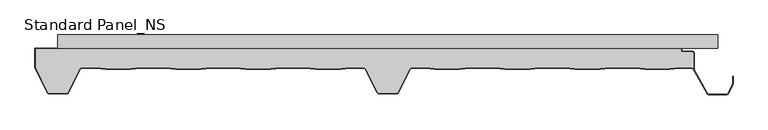
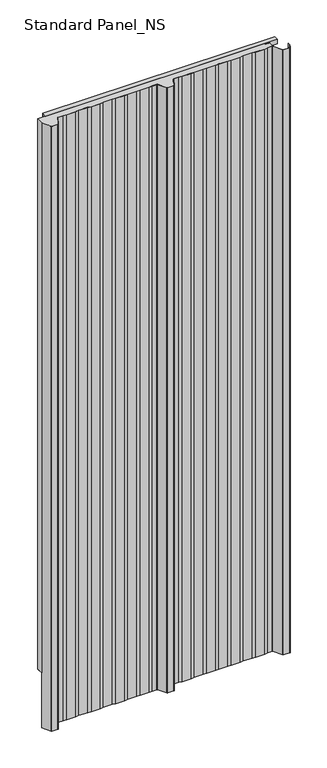
"""IFC4 building model written with IfcOpenShell, lengths in millimetres: proxy geometry, Standard Panel_NS."""

from ifc_helpers import new_model, si_unit, point, frame, frame_2d, origin, origin_with_axes, place, context, project, spatial, polyline, circle_curve, trimmed, segment, composite_curve, outline, extrude, source, transform, mapped, element, save


def standard_panel_ns_c0a27728(model_context):
    return source(origin(), model_context, "Body", "SweptSolid", [
        extrude(outline(polyline([(-20.0, 0.0), (-20.0, 20.0), (0.0, 20.0), (0.0, 0.0), (-20.0, 0.0)]), holes=[polyline([(-0.9, 19.1), (-19.1, 19.1), (-19.1, 0.9), (-0.9, 0.9), (-0.9, 19.1)])]), frame((-499.5000907, 0.0, 0.0), z_axis=(1.0, 0.0, 0.0), x_axis=(0.0, 1.0, 0.0)), (0.0, 0.0, 1.0), 999.5000907),
        extrude(outline(polyline([(-20.0, 2512.4689053), (0.0, 2512.4689053), (0.0, 2492.4689053), (-20.0, 2492.4689053), (-20.0, 2512.4689053)]), holes=[polyline([(-0.9, 2511.5689053), (-19.1, 2511.5689053), (-19.1, 2493.3689053), (-0.9, 2493.3689053), (-0.9, 2511.5689053)])]), frame((-500.0, 0.0, 0.0), z_axis=(1.0, 0.0, 0.0), x_axis=(0.0, 1.0, 0.0)), (0.0, 0.0, 1.0), 1000.0),
        extrude(outline(composite_curve([segment(polyline([(463.3333678, -27.9776976), (463.3333678, -51.2827781)]), True, "CONTINUOUS"), segment(trimmed(circle_curve(frame_2d((460.1791882, -53.4020117)), 3.8), [point((463.3333678, -51.2827781))], [point((460.2255768, -49.6022949))], True, "CARTESIAN"), True, "CONTINUOUS"), segment(polyline([(460.2255768, -49.6022949), (442.3850007, -49.6022949), (427.5232716, -51.4), (389.5003906, -51.4), (374.6528383, -49.6040097), (336.3708239, -49.6040097), (321.5232716, -51.4), (283.5003906, -51.4), (268.6670151, -49.6057246), (230.356647, -49.6057246), (215.5232716, -51.4), (177.5003906, -51.4), (162.6811919, -49.6074394), (124.3424702, -49.6074394), (109.5232716, -51.4), (71.5003906, -51.4), (56.6929307, -49.6088594), (36.8490422, -49.6088594)]), True, "CONTINUOUS"), segment(trimmed(circle_curve(frame_2d((36.8490422, -53.4088594)), 3.8), [point((36.8490422, -49.6088594))], [point((33.4515652, -51.7067576))], True, "CARTESIAN"), True, "CONTINUOUS"), segment(polyline([(33.4515652, -51.7067576), (15.1133281, -87.389061)]), True, "CONTINUOUS"), segment(trimmed(circle_curve(frame_2d((13.1431912, -86.41)), 2.2), [point((15.1133281, -87.389061))], [point((13.1431912, -88.61))], False, "CARTESIAN"), True, "CONTINUOUS"), segment(polyline([(13.1431912, -88.61), (-13.1465337, -88.61)]), True, "CONTINUOUS"), segment(trimmed(circle_curve(frame_2d((-13.1465337, -86.41)), 2.2), [point((-13.1465337, -88.61))], [point((-15.1166702, -87.3890619))], False, "CARTESIAN"), True, "CONTINUOUS"), segment(polyline([(-15.1166702, -87.3890619), (-33.4593215, -51.697919)]), True, "CONTINUOUS"), segment(trimmed(circle_curve(frame_2d((-36.856799, -53.4000196)), 3.8), [point((-33.4593215, -51.697919))], [point((-36.856799, -49.6000196))], True, "CARTESIAN"), True, "CONTINUOUS"), segment(polyline([(-36.856799, -49.6000196), (-56.6231947, -49.6000196), (-71.5037331, -51.4), (-109.5266141, -51.4), (-124.4071525, -49.6000196), (-162.6231947, -49.6000196), (-177.5037331, -51.4), (-215.5266141, -51.4), (-230.4071525, -49.6000196), (-268.6231947, -49.6000196), (-283.5037331, -51.4), (-321.5266141, -51.4), (-336.4071525, -49.6000196), (-374.6231947, -49.6000196), (-389.5037331, -51.4), (-427.5266141, -51.4), (-442.4071525, -49.6000196), (-463.5629534, -49.6000196)]), True, "CONTINUOUS"), segment(trimmed(circle_curve(frame_2d((-463.5629534, -53.4000196)), 3.8), [point((-463.5629534, -49.6000196))], [point((-466.9621881, -51.7014308))], True, "CARTESIAN"), True, "CONTINUOUS"), segment(polyline([(-466.9621881, -51.7014308), (-484.8632284, -87.3198221)]), True, "CONTINUOUS"), segment(trimmed(circle_curve(frame_2d((-486.83184, -86.3376976)), 2.2), [point((-484.8632284, -87.3198221))], [point((-486.83184, -88.5376976))], False, "CARTESIAN"), True, "CONTINUOUS"), segment(polyline([(-486.83184, -88.5376976), (-513.1679785, -88.5376976)]), True, "CONTINUOUS"), segment(trimmed(circle_curve(frame_2d((-513.1679785, -86.3376976)), 2.2), [point((-513.1679785, -88.5376976))], [point((-515.1468491, -87.2989838))], False, "CARTESIAN"), True, "CONTINUOUS"), segment(polyline([(-515.1468491, -87.2989838), (-533.8689812, -49.987751), (-533.8689812, -20.8776976), (444.4044996, -20.8776976), (444.4044996, -25.8776976), (461.2333678, -25.8776976)]), True, "CONTINUOUS"), segment(trimmed(circle_curve(frame_2d((461.2333678, -27.9776976)), 2.1), [point((461.2333678, -25.8776976))], [point((463.3333678, -27.9776976))], False, "CARTESIAN"), True, "CONTINUOUS")], self_intersect=False)), origin_with_axes(), (0.0, 0.0, 1.0), 2512.4689053),
        extrude(outline(composite_curve([segment(polyline([(-321.5748232, -52.2), (-336.4553616, -50.4000196), (-374.5749856, -50.4000196), (-389.455524, -52.2), (-427.5748232, -52.2), (-442.4553616, -50.4000196), (-463.5629534, -50.4000196)]), True, "CONTINUOUS"), segment(trimmed(circle_curve(frame_2d((-463.5629534, -53.4000196)), 3.0), [point((-463.5629534, -50.4000196))], [point((-466.2469048, -52.0597193))], True, "CARTESIAN"), True, "CONTINUOUS"), segment(polyline([(-466.2469048, -52.0597193), (-484.1478886, -87.7003003)]), True, "CONTINUOUS"), segment(trimmed(circle_curve(frame_2d((-486.83184, -86.36)), 3.0), [point((-484.1478886, -87.7003003))], [point((-486.83184, -89.36))], False, "CARTESIAN"), True, "CONTINUOUS"), segment(polyline([(-486.83184, -89.36), (-513.1679785, -89.36)]), True, "CONTINUOUS"), segment(trimmed(circle_curve(frame_2d((-513.1679785, -86.36)), 3.0), [point((-513.1679785, -89.36))], [point((-515.8640556, -87.6757386))], False, "CARTESIAN"), True, "CONTINUOUS"), segment(polyline([(-515.8640556, -87.6757386), (-534.7689812, -49.9776976), (-533.8740229, -49.9776976), (-515.1468491, -87.3212862)]), True, "CONTINUOUS"), segment(trimmed(circle_curve(frame_2d((-513.1679785, -86.36)), 2.2), [point((-515.1468491, -87.3212862))], [point((-513.1679785, -88.56))], True, "CARTESIAN"), True, "CONTINUOUS"), segment(polyline([(-513.1679785, -88.56), (-486.83184, -88.56)]), True, "CONTINUOUS"), segment(trimmed(circle_curve(frame_2d((-486.83184, -86.36)), 2.2), [point((-486.83184, -88.56))], [point((-484.8632284, -87.3421244))], True, "CARTESIAN"), True, "CONTINUOUS"), segment(polyline([(-484.8632284, -87.3421244), (-466.9621881, -51.7014308)]), True, "CONTINUOUS"), segment(trimmed(circle_curve(frame_2d((-463.5629534, -53.4000196)), 3.8), [point((-466.9621881, -51.7014308))], [point((-463.5629534, -49.6000196))], False, "CARTESIAN"), True, "CONTINUOUS"), segment(polyline([(-463.5629534, -49.6000196), (-442.4071525, -49.6000196), (-427.5266141, -51.4), (-389.5037331, -51.4), (-374.6231947, -49.6000196), (-336.4071525, -49.6000196), (-321.5266141, -51.4), (-283.5037331, -51.4), (-268.6231947, -49.6000196), (-230.4071525, -49.6000196), (-215.5266141, -51.4), (-177.5037331, -51.4), (-162.6231947, -49.6000196), (-124.4071525, -49.6000196), (-109.5266141, -51.4), (-71.5037331, -51.4), (-56.6231947, -49.6000196), (-36.856799, -49.6000196)]), True, "CONTINUOUS"), segment(trimmed(circle_curve(frame_2d((-36.856799, -53.4000196)), 3.8), [point((-36.856799, -49.6000196))], [point((-33.4593215, -51.697919))], False, "CARTESIAN"), True, "CONTINUOUS"), segment(polyline([(-33.4593215, -51.697919), (-15.1166702, -87.3890619)]), True, "CONTINUOUS"), segment(trimmed(circle_curve(frame_2d((-13.1465337, -86.41)), 2.2), [point((-15.1166702, -87.3890619))], [point((-13.1465337, -88.61))], True, "CARTESIAN"), True, "CONTINUOUS"), segment(polyline([(-13.1465337, -88.61), (13.1431912, -88.61)]), True, "CONTINUOUS"), segment(trimmed(circle_curve(frame_2d((13.1431912, -86.41)), 2.2), [point((13.1431912, -88.61))], [point((15.1133281, -87.389061))], True, "CARTESIAN"), True, "CONTINUOUS"), segment(polyline([(15.1133281, -87.389061), (33.4515652, -51.7067576)]), True, "CONTINUOUS"), segment(trimmed(circle_curve(frame_2d((36.8490422, -53.4088594)), 3.8), [point((33.4515652, -51.7067576))], [point((36.8490422, -49.6088594))], False, "CARTESIAN"), True, "CONTINUOUS"), segment(polyline([(36.8490422, -49.6088594), (56.6929307, -49.6088594), (71.5003906, -51.4), (109.5232716, -51.4), (124.3424702, -49.6074394), (162.6811919, -49.6074394), (177.5003906, -51.4), (215.5232716, -51.4), (230.356647, -49.6057246), (268.6670151, -49.6057246), (283.5003906, -51.4), (321.5232716, -51.4), (336.3708239, -49.6040097), (374.6528383, -49.6040097), (389.5003906, -51.4), (427.5232716, -51.4), (442.3850007, -49.6022949), (460.1327996, -49.6022949)]), True, "CONTINUOUS"), segment(trimmed(circle_curve(frame_2d((460.1791882, -53.4020117)), 3.8), [point((460.1327996, -49.6022949))], [point((463.5049669, -51.5637527))], False, "CARTESIAN"), True, "CONTINUOUS"), segment(polyline([(463.5049669, -51.5637527), (484.4077107, -88.4591287)]), True, "CONTINUOUS"), segment(trimmed(circle_curve(frame_2d((486.3366684, -87.401243)), 2.2), [point((484.4077107, -88.4591287))], [point((486.3366684, -89.601243))], True, "CARTESIAN"), True, "CONTINUOUS"), segment(polyline([(486.3366684, -89.601243), (513.6856739, -89.601243)]), True, "CONTINUOUS"), segment(trimmed(circle_curve(frame_2d((513.6856739, -87.401243)), 2.2), [point((513.6856739, -89.601243))], [point((515.6539049, -88.3841299))], True, "CARTESIAN"), True, "CONTINUOUS"), segment(polyline([(515.6539049, -88.3841299), (522.1830897, -75.3094373)]), True, "CONTINUOUS"), segment(trimmed(circle_curve(frame_2d((520.2148587, -74.3265504)), 2.2), [point((522.1830897, -75.3094373))], [point((522.4148587, -74.3265504))], True, "CARTESIAN"), True, "CONTINUOUS"), segment(polyline([(522.4148587, -74.3265504), (522.4148587, -62.8571101), (523.2148587, -62.8571101), (523.2148587, -74.3265504)]), True, "CONTINUOUS"), segment(trimmed(circle_curve(frame_2d((520.2148587, -74.3265504)), 3.0), [point((523.2148587, -74.3265504))], [point((522.8988101, -75.6668507))], False, "CARTESIAN"), True, "CONTINUOUS"), segment(polyline([(522.8988101, -75.6668507), (516.3696253, -88.7415434)]), True, "CONTINUOUS"), segment(trimmed(circle_curve(frame_2d((513.6856739, -87.401243)), 3.0), [point((516.3696253, -88.7415434))], [point((513.6856739, -90.401243))], False, "CARTESIAN"), True, "CONTINUOUS"), segment(polyline([(513.6856739, -90.401243), (486.3366684, -90.401243)]), True, "CONTINUOUS"), segment(trimmed(circle_curve(frame_2d((486.3366684, -87.401243)), 3.0), [point((486.3366684, -90.401243))], [point((483.709141, -88.8490344))], False, "CARTESIAN"), True, "CONTINUOUS"), segment(polyline([(483.709141, -88.8490344), (462.8067156, -51.9542204)]), True, "CONTINUOUS"), segment(trimmed(circle_curve(frame_2d((460.1791882, -53.4020117)), 3.0), [point((462.8067156, -51.9542204))], [point((460.137971, -50.4022949))], True, "CARTESIAN"), True, "CONTINUOUS"), segment(polyline([(460.137971, -50.4022949), (442.4332098, -50.4022949), (427.5714807, -52.2), (389.4521815, -52.2), (374.6046292, -50.4040097), (336.419033, -50.4040097), (321.5714807, -52.2), (283.4521815, -52.2), (268.618806, -50.4057246), (230.4048562, -50.4057246), (215.5714807, -52.2), (177.4521815, -52.2), (162.6329828, -50.4074394), (124.3906793, -50.4074394), (109.5714807, -52.2), (71.4521815, -52.2), (56.6447216, -50.4088594), (36.8490422, -50.4088594)]), True, "CONTINUOUS"), segment(trimmed(circle_curve(frame_2d((36.8490422, -53.4088594)), 3.0), [point((36.8490422, -50.4088594))], [point((34.1650908, -52.0685591))], True, "CARTESIAN"), True, "CONTINUOUS"), segment(polyline([(34.1650908, -52.0685591), (15.8271426, -87.7503003)]), True, "CONTINUOUS"), segment(trimmed(circle_curve(frame_2d((13.1431912, -86.41)), 3.0), [point((15.8271426, -87.7503003))], [point((13.1431912, -89.41))], False, "CARTESIAN"), True, "CONTINUOUS"), segment(polyline([(13.1431912, -89.41), (-13.1465337, -89.41)]), True, "CONTINUOUS"), segment(trimmed(circle_curve(frame_2d((-13.1465337, -86.41)), 3.0), [point((-13.1465337, -89.41))], [point((-15.8304851, -87.7503003))], False, "CARTESIAN"), True, "CONTINUOUS"), segment(polyline([(-15.8304851, -87.7503003), (-34.1728476, -52.0597193)]), True, "CONTINUOUS"), segment(trimmed(circle_curve(frame_2d((-36.856799, -53.4000196)), 3.0), [point((-34.1728476, -52.0597193))], [point((-36.856799, -50.4000196))], True, "CARTESIAN"), True, "CONTINUOUS"), segment(polyline([(-36.856799, -50.4000196), (-56.5749856, -50.4000196), (-71.455524, -52.2), (-109.5748232, -52.2), (-124.4553616, -50.4000196), (-162.5749856, -50.4000196), (-177.455524, -52.2), (-215.5748232, -52.2), (-230.4553616, -50.4000196), (-268.5749856, -50.4000196), (-283.455524, -52.2), (-321.5748232, -52.2)]), True, "CONTINUOUS")], self_intersect=False)), frame((0.0, 0.0, -250.0), z_axis=(0.0, 0.0, 1.0), x_axis=(1.0, 0.0, 0.0)), (0.0, 0.0, 1.0), 2762.4689053),
        extrude(outline(composite_curve([segment(polyline([(-534.7689812, -49.9776976), (-534.7689812, -20.0), (445.3044996, -20.0), (445.3044996, -25.0), (461.2333678, -25.0)]), True, "CONTINUOUS"), segment(trimmed(circle_curve(frame_2d((461.2333678, -28.0)), 3.0), [point((461.2333678, -25.0))], [point((464.2333678, -28.0))], False, "CARTESIAN"), True, "CONTINUOUS"), segment(polyline([(464.2333678, -28.0), (464.2333678, -52.8494512), (463.3333678, -51.2827781), (463.3333678, -28.0)]), True, "CONTINUOUS"), segment(trimmed(circle_curve(frame_2d((461.2333678, -28.0)), 2.1), [point((463.3333678, -28.0))], [point((461.2333678, -25.9))], True, "CARTESIAN"), True, "CONTINUOUS"), segment(polyline([(461.2333678, -25.9), (444.4044996, -25.9), (444.4044996, -20.9), (-533.8689812, -20.9), (-533.8689812, -49.9776976), (-534.7689812, -49.9776976)]), True, "CONTINUOUS")], self_intersect=False)), origin_with_axes(), (0.0, 0.0, 1.0), 2512.4689053),
    ])


if __name__ == "__main__":
    model = new_model("IFC4")
    model_context = context("Model", 3, world=origin())
    ifc_project = project(units=[si_unit("LENGTHUNIT", "METRE", prefix="MILLI")], contexts=[model_context])
    site = spatial("IfcSite", under=ifc_project)
    building = spatial("IfcBuilding", under=site)
    placement = place(None, origin())
    standard_panel_ns_shape = standard_panel_ns_c0a27728(model_context)
    element("IfcBuildingElementProxy", 1, Name="Standard Panel_NS", ObjectType="Standard Panel_NS", at=placement, inside=building, context=model_context, shape_type="MappedRepresentation", body=[
        mapped(standard_panel_ns_shape, transform((0.0, 0.0, 0.0), x_axis=(1.0, 0.0, 0.0), y_axis=(0.0, 1.0, 0.0), z_axis=(0.0, 0.0, 1.0))),
    ])
    save(model, "model.ifc")
